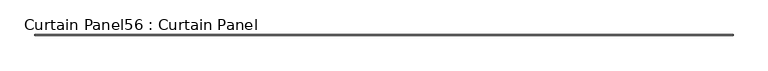
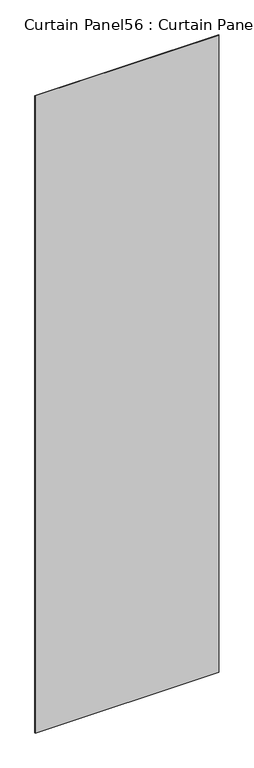
"""IFC4 building model written with IfcOpenShell, lengths in millimetres: plate geometry, Curtain Panel56 : Curtain Panel."""

import ifcopenshell
import ifcopenshell.guid

model = None  # the IFC model being written
_history = None  # IfcOwnerHistory: only IFC2X3 demands one
_inside = {}  # id of a spatial element -> (the spatial element, [elements in it])
_under = {}  # id of a project, library or spatial element -> (it, [spatial elements below it])
_declared = {}  # id of a project -> (the project, [libraries it declares])
_typed = {}  # id of a type object -> (the type object, [elements of that type])
_made_of = {}  # id of a material, layer set ... -> (it, [elements and type objects made of it])


def new_model(schema):
    """Start an empty IFC model of exactly this schema.

    Asked for "IFC4X3", IfcOpenShell would pick the latest addendum, in which some entities
    have other attributes; the version numbers below select the first issue.
    IFC2X3 requires an IfcOwnerHistory on every rooted entity: one is made here for all.
    """
    global model, _history
    if schema == "IFC4X3":
        model = ifcopenshell.file(schema_version=(4, 3, 0, 0))
    else:
        model = ifcopenshell.file(schema=schema)
    _inside.clear()
    _under.clear()
    _declared.clear()
    _typed.clear()
    _made_of.clear()
    _history = None
    if model.schema == "IFC2X3":
        org = make("IfcOrganization", Name="unknown")
        user = make(
            "IfcPersonAndOrganization",
            ThePerson=make("IfcPerson", FamilyName="unknown"),
            TheOrganization=org,
        )
        app = make(
            "IfcApplication",
            ApplicationDeveloper=org,
            Version="unknown",
            ApplicationFullName="unknown",
            ApplicationIdentifier="unknown",
        )
        _history = make(
            "IfcOwnerHistory",
            OwningUser=user,
            OwningApplication=app,
            ChangeAction="ADDED",
            CreationDate=0,
        )
    return model


def make(cls, **values):
    """One entity of the class cls with the attributes given. An attribute that is None is left unset."""
    return model.create_entity(
        cls, **{name: value for name, value in values.items() if value is not None}
    )


def rooted(cls, **values):
    """An entity with a GlobalId (a new one), such as an element, a storey or a relation."""
    return make(cls, GlobalId=ifcopenshell.guid.new(), OwnerHistory=_history, **values)


def si_unit(unit_type, name, prefix=None):
    """IfcSIUnit, for example si_unit("LENGTHUNIT", "METRE", prefix="MILLI")."""
    return make("IfcSIUnit", UnitType=unit_type, Prefix=prefix, Name=name)


def assignment(units):
    """IfcUnitAssignment: the units of a project."""
    return None if units is None else make("IfcUnitAssignment", Units=units)


def point(xyz):
    """IfcCartesianPoint."""
    return None if xyz is None else make("IfcCartesianPoint", Coordinates=xyz)


def direction(xyz):
    """IfcDirection."""
    return None if xyz is None else make("IfcDirection", DirectionRatios=xyz)


def frame(location, z_axis=None, x_axis=None):
    """IfcAxis2Placement3D, a coordinate frame: its origin and axes. An axis left out is left unset."""
    return make(
        "IfcAxis2Placement3D",
        Location=point(location),
        Axis=direction(z_axis),
        RefDirection=direction(x_axis),
    )


def origin():
    """The frame at (0, 0, 0) with its axes left unset."""
    return frame((0.0, 0.0, 0.0))


def place(relative_to, where):
    """IfcLocalPlacement: puts the frame where relative to a parent placement (None: the world)."""
    return make(
        "IfcLocalPlacement", PlacementRelTo=relative_to, RelativePlacement=where
    )


def context(
    kind, dimensions, precision=None, world=None, true_north=None, identifier=None
):
    """IfcGeometricRepresentationContext, for example the 3D "Model" context."""
    return make(
        "IfcGeometricRepresentationContext",
        ContextIdentifier=identifier,
        ContextType=kind,
        CoordinateSpaceDimension=dimensions,
        Precision=precision,
        WorldCoordinateSystem=world,
        TrueNorth=true_north,
    )


def project(units=None, contexts=None):
    """IfcProject with its units and contexts."""
    return rooted(
        "IfcProject",
        Name="project",
        RepresentationContexts=contexts,
        UnitsInContext=assignment(units),
    )


def spatial(cls, under=None, at=None, **own):
    """A site, building, storey or space (cls), placed at a placement, below another one or the project."""
    s = rooted(cls, ObjectPlacement=at, **own)
    if under is not None:
        _under.setdefault(under.id(), (under, []))[1].append(s)
    return s


def polyline(points):
    """IfcPolyline through the points."""
    return make("IfcPolyline", Points=[point(p) for p in points])


def outline(outer, holes=None, kind="AREA"):
    """IfcArbitraryClosedProfileDef: a profile drawn as a closed curve; with holes, ...WithVoids."""
    if holes is None:
        return make("IfcArbitraryClosedProfileDef", ProfileType=kind, OuterCurve=outer)
    return make(
        "IfcArbitraryProfileDefWithVoids",
        ProfileType=kind,
        OuterCurve=outer,
        InnerCurves=holes,
    )


def extrude(swept, where, along, depth):
    """IfcExtrudedAreaSolid: the profile swept, set in the frame where, extruded along a direction by depth."""
    return make(
        "IfcExtrudedAreaSolid",
        SweptArea=swept,
        Position=where,
        ExtrudedDirection=direction(along),
        Depth=depth,
    )


def shape(context_of_items, identifier, shape_type, items):
    """IfcShapeRepresentation: the items that make up one representation, for example the "Body"."""
    return make(
        "IfcShapeRepresentation",
        ContextOfItems=context_of_items,
        RepresentationIdentifier=identifier,
        RepresentationType=shape_type,
        Items=items,
    )


def source(mapping_origin, context_of_items, identifier, shape_type, items):
    """IfcRepresentationMap: a shape defined once, which mapped items show again and again."""
    return make(
        "IfcRepresentationMap",
        MappingOrigin=mapping_origin,
        MappedRepresentation=shape(context_of_items, identifier, shape_type, items),
    )


def transform(
    local_origin,
    x_axis=None,
    y_axis=None,
    z_axis=None,
    scale=None,
    scale2=None,
    scale3=None,
    uniform=True,
):
    """IfcCartesianTransformationOperator3D, or its non-uniform kind. x_axis, y_axis, z_axis: its Axis1, 2, 3."""
    if uniform:
        return make(
            "IfcCartesianTransformationOperator3D",
            Axis1=direction(x_axis),
            Axis2=direction(y_axis),
            LocalOrigin=point(local_origin),
            Scale=scale,
            Axis3=direction(z_axis),
        )
    return make(
        "IfcCartesianTransformationOperator3DnonUniform",
        Axis1=direction(x_axis),
        Axis2=direction(y_axis),
        LocalOrigin=point(local_origin),
        Scale=scale,
        Axis3=direction(z_axis),
        Scale2=scale2,
        Scale3=scale3,
    )


def mapped(mapping_source, mapping_target):
    """IfcMappedItem: shows the shape of a source again, moved by a transform."""
    return make(
        "IfcMappedItem", MappingSource=mapping_source, MappingTarget=mapping_target
    )


def made_of(thing, what):
    """Note that an element or type object is made of a material, layer set ...; save() writes the relation."""
    if what is not None:
        _made_of.setdefault(what.id(), (what, []))[1].append(thing)
    return thing


def element(
    cls,
    number,
    at=None,
    inside=None,
    cuts=None,
    type_object=None,
    material=None,
    context=None,
    identifier="Body",
    shape_type=None,
    held_by="IfcProductDefinitionShape",
    body=None,
    shapes=None,
    **own,
):
    """One element of the class cls, such as IfcWall. Its Tag is "e" and its number.

    at: its placement. inside: the storey or other place that contains it. cuts: it is an
    opening in that element (IfcRelVoidsElement). A single representation is given by context,
    identifier, shape_type and body (its items); several are given by shapes. held_by: the class
    of the entity that holds the representations. save() writes the other relations.
    """
    e = rooted(cls, Tag="e%d" % number, ObjectPlacement=at, **own)
    if body is not None:
        shapes = [shape(context, identifier, shape_type, body)]
    if shapes is not None:
        e.Representation = make(held_by, Representations=shapes)
    if inside is not None:
        _inside.setdefault(inside.id(), (inside, []))[1].append(e)
    if cuts is not None:
        rooted(
            "IfcRelVoidsElement", RelatingBuildingElement=cuts, RelatedOpeningElement=e
        )
    if type_object is not None:
        _typed.setdefault(type_object.id(), (type_object, []))[1].append(e)
    return made_of(e, material)


def aggregate(whole, parts):
    """IfcRelAggregates: a whole, such as a stair, and the parts it consists of."""
    return rooted("IfcRelAggregates", RelatingObject=whole, RelatedObjects=parts)


def save(model, path):
    """Write the relations noted so far, then the file.

    IfcRelAggregates (storeys below a building ...), IfcRelContainedInSpatialStructure (elements
    in a storey), IfcRelDefinesByType, IfcRelAssociatesMaterial and IfcRelDeclares: one each for
    every whole, place, type object, material and project.
    """
    for whole, parts in _under.values():
        aggregate(whole, parts)
    for where, things in _inside.values():
        rooted(
            "IfcRelContainedInSpatialStructure",
            RelatedElements=things,
            RelatingStructure=where,
        )
    for kind, things in _typed.values():
        rooted("IfcRelDefinesByType", RelatedObjects=things, RelatingType=kind)
    for what, things in _made_of.values():
        rooted("IfcRelAssociatesMaterial", RelatedObjects=things, RelatingMaterial=what)
    for by, libraries in _declared.values():
        rooted("IfcRelDeclares", RelatingContext=by, RelatedDefinitions=libraries)
    model.write(path)


def curtain_panel56_curtain_panel_494f3b0d(model_context):
    return source(origin(), model_context, "Body", "SweptSolid", [
        extrude(outline(polyline([(77269.5855988, 8038.1084949), (72987.5885722, 8038.1084949), (72987.5885722, 8044.4584949), (77269.5855988, 8044.4584949), (77269.5855988, 8038.1084949)])), frame((0.0, 0.0, 1433.7679301), z_axis=(0.0, 0.0, 1.0), x_axis=(1.0, 0.0, 0.0)), (0.0, 0.0, 1.0), 15711.5380959),
    ])


if __name__ == "__main__":
    model = new_model("IFC4")
    model_context = context("Model", 3, world=origin())
    ifc_project = project(units=[si_unit("LENGTHUNIT", "METRE", prefix="MILLI")], contexts=[model_context])
    site = spatial("IfcSite", under=ifc_project)
    building = spatial("IfcBuilding", under=site)
    placement = place(None, origin())
    curtain_panel56_curtain_panel_shape = curtain_panel56_curtain_panel_494f3b0d(model_context)
    element("IfcPlate", 1, ObjectType="Curtain Panel56 : Curtain Panel", at=placement, inside=building, context=model_context, shape_type="MappedRepresentation", body=[
        mapped(curtain_panel56_curtain_panel_shape, transform((0.0, 0.0, 0.0), x_axis=(1.0, 0.0, 0.0), y_axis=(0.0, 1.0, 0.0), z_axis=(0.0, 0.0, 1.0))),
    ])
    save(model, "model.ifc")
